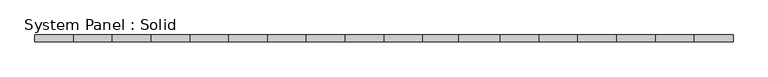
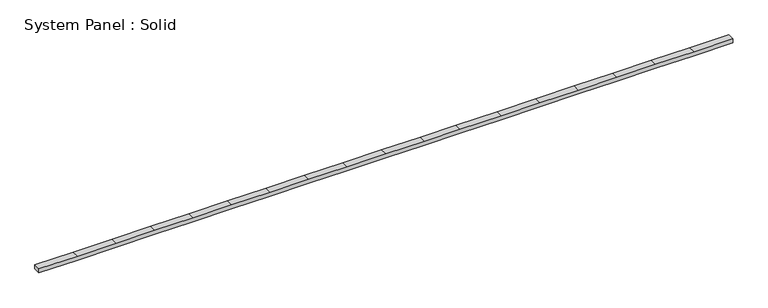
"""IFC4 building model written with IfcOpenShell, lengths in millimetres: plate geometry, System Panel : Solid."""

from ifc_helpers import new_model, si_unit, frame, origin, place, context, project, spatial, polyline, outline, extrude, source, transform, mapped, element, save


def system_panel_solid_5eb99095(model_context):
    return source(origin(), model_context, "Body", "SweptSolid", [
        extrude(outline(polyline([(0.0, -4950.0000002), (0.0, -4399.9999998), (0.0, -3849.9999998), (0.0, -3299.9999998), (0.0, -2749.9999998), (0.0, -2199.9999998), (0.0, -1649.9999998), (0.0, -1099.9999998), (0.0, -549.9999998), (0.0, 2e-07), (0.0, 550.0000002), (0.0, 1060.0000002), (0.0, 1650.0000002), (0.0, 2200.0000002), (0.0, 2750.0000002), (0.0, 3300.0000002), (0.0, 3850.0000002), (0.0, 4400.0000002), (0.0, 4950.0000002), (60.0, 4950.0000002), (60.0, 4400.0000002), (60.0, 3850.0000002), (60.0, 3300.0000002), (60.0, 2750.0000002), (60.0, 2200.0000002), (60.0, 1650.0000002), (60.0, 1060.0000002), (60.0, 550.0000002), (60.0, 2e-07), (60.0, -549.9999998), (60.0, -1099.9999998), (60.0, -1649.9999998), (60.0, -2199.9999998), (60.0, -2749.9999998), (60.0, -3299.9999998), (60.0, -3849.9999998), (60.0, -4399.9999998), (60.0, -4950.0000002), (0.0, -4950.0000002)])), frame((0.0, 50.0, 0.0), z_axis=(0.0, 1.0, 0.0), x_axis=(0.0, 0.0, 1.0)), (0.0, 0.0, 1.0), 100.0),
    ])


if __name__ == "__main__":
    model = new_model("IFC4")
    model_context = context("Model", 3, world=origin())
    ifc_project = project(units=[si_unit("LENGTHUNIT", "METRE", prefix="MILLI")], contexts=[model_context])
    site = spatial("IfcSite", under=ifc_project)
    building = spatial("IfcBuilding", under=site)
    placement = place(None, origin())
    system_panel_solid_shape = system_panel_solid_5eb99095(model_context)
    element("IfcPlate", 1, ObjectType="System Panel : Solid", at=placement, inside=building, context=model_context, shape_type="MappedRepresentation", body=[
        mapped(system_panel_solid_shape, transform((0.0, 0.0, 0.0), x_axis=(1.0, 0.0, 0.0), y_axis=(0.0, 1.0, 0.0), z_axis=(0.0, 0.0, 1.0))),
    ])
    save(model, "model.ifc")
